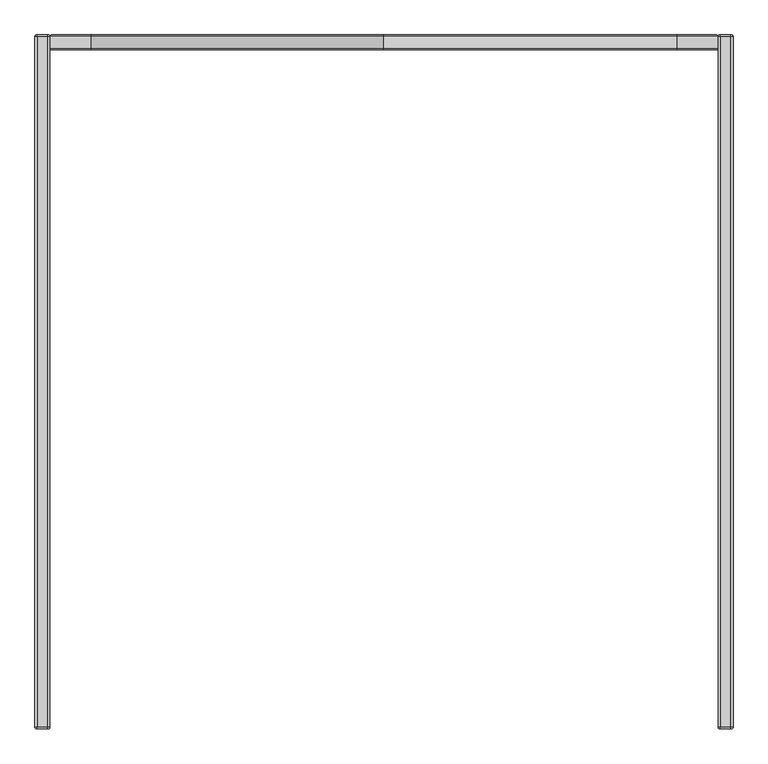
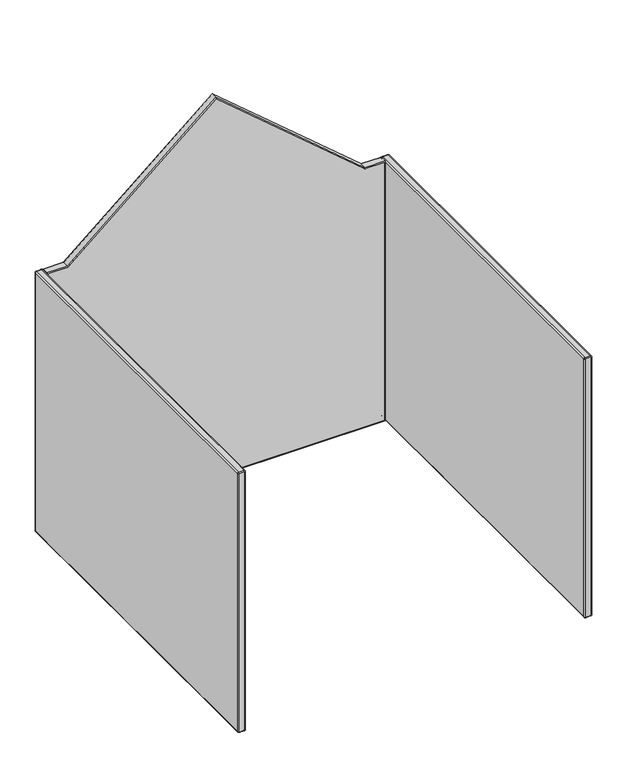
"""IFC4 building model written with IfcOpenShell, lengths in millimetres: furniture geometry."""

from ifc_helpers import new_model, si_unit, point, frame, origin, place, context, project, spatial, circle_curve, ellipse_curve, trimmed, source, transform, mapped, element, save
from ifc_brep_helpers import plane_surface, cylinder_surface, revolved_surface, advanced_brep


def furniture_84e5c815(model_context):
    return source(origin(), model_context, "Body", "AdvancedBrep", [
        advanced_brep(
        [(1729.6212947, -38.7095386, 1458.9687466), (1728.1650089, -42.6782886, 1454.9999966), (1835.0000576, -42.6782886, 1454.9999966), (1838.9688076, -38.7095386, 1458.9687466), (1838.9688076, -6.1657886, 1458.9687466), (1729.6212947, -6.1657886, 1458.9687466), (1835.0000576, -2.1970386, 1454.9999966), (1728.1650089, -2.1970386, 1454.9999966), (1835.0000576, -42.6782886, 5.0000003), (1838.9688076, -38.7095386, 1.0312503), (1838.9688076, -6.1657886, 1.0312503), (1835.0000576, -2.1970386, 5.0000003), (45.0000013, -42.6782886, 5.0000003), (41.0312513, -38.7095386, 1.0312503), (41.0312513, -6.1657886, 1.0312503), (45.0000013, -2.1970386, 5.0000003), (45.0000013, -42.6782886, 1454.9999966), (41.0312513, -38.7095386, 1458.9687466), (41.0312513, -6.1657886, 1458.9687466), (45.0000013, -2.1970386, 1454.9999966), (151.8349909, -42.6782886, 1454.9999966), (150.3787052, -38.7095386, 1458.9687466), (150.3787052, -6.1657886, 1458.9687466), (151.8349909, -2.1970386, 1454.9999966), (940.0000362, -42.6782886, 2123.4131218), (940.0000364, -38.7095386, 2128.616893), (940.0000364, -6.1657886, 2128.616893), (940.0000362, -2.1970386, 2123.4131218)],
        [
            (0, 1, ellipse_curve(frame((1728.1650089, -38.7095386, 1454.9999966), z_axis=(0.9387939160823763, 0.0, -0.34447929274009526), x_axis=(-0.3444792927400953, 0.0, -0.9387939160823763)), 4.2274986, 3.96875)),
            (1, 2),
            (2, 3, ellipse_curve(frame((1835.0000576, -38.7095386, 1454.9999966), z_axis=(-0.7071067811865469, 0.0, 0.707106781186548), x_axis=(-0.7071067811865481, 0.0, -0.7071067811865468)), 5.6126601, 3.96875)),
            (3, 0),
            (3, 4),
            (4, 5),
            (5, 0),
            (4, 6, ellipse_curve(frame((1835.0000576, -6.1657886, 1454.9999966), z_axis=(-0.7071067811865469, 0.0, 0.707106781186548), x_axis=(-0.7071067811865481, 0.0, -0.7071067811865468)), 5.6126601, 3.96875)),
            (6, 7),
            (7, 5, ellipse_curve(frame((1728.1650089, -6.1657886, 1454.9999966), z_axis=(0.9387939160823763, 0.0, -0.34447929274009526), x_axis=(-0.3444792927400953, 0.0, -0.9387939160823763)), 4.2274986, 3.96875)),
            (2, 8),
            (8, 9, ellipse_curve(frame((1835.0000576, -38.7095386, 5.0000003), z_axis=(0.7071067811865493, 0.0, 0.7071067811865457), x_axis=(-0.7071067811865457, 0.0, 0.7071067811865495)), 5.6126601, 3.96875)),
            (9, 3),
            (9, 10),
            (10, 4),
            (10, 11, ellipse_curve(frame((1835.0000576, -6.1657886, 5.0000003), z_axis=(0.7071067811865493, 0.0, 0.7071067811865457), x_axis=(-0.7071067811865457, 0.0, 0.7071067811865495)), 5.6126601, 3.96875)),
            (11, 6),
            (8, 12),
            (12, 13, ellipse_curve(frame((45.0000013, -38.7095386, 5.0000003), z_axis=(0.7071067811865456, 0.0, -0.7071067811865496), x_axis=(0.7071067811865495, 0.0, 0.7071067811865456)), 5.6126601, 3.96875)),
            (13, 9),
            (13, 14),
            (14, 10),
            (14, 15, ellipse_curve(frame((45.0000013, -6.1657886, 5.0000003), z_axis=(0.7071067811865456, 0.0, -0.7071067811865496), x_axis=(0.7071067811865495, 0.0, 0.7071067811865456)), 5.6126601, 3.96875)),
            (15, 11),
            (12, 16),
            (16, 17, ellipse_curve(frame((45.0000013, -38.7095386, 1454.9999966), z_axis=(-0.7071067811865493, 0.0, -0.7071067811865458), x_axis=(0.7071067811865458, 0.0, -0.7071067811865492)), 5.6126601, 3.96875)),
            (17, 13),
            (17, 18),
            (18, 14),
            (18, 19, ellipse_curve(frame((45.0000013, -6.1657886, 1454.9999966), z_axis=(-0.7071067811865493, 0.0, -0.7071067811865458), x_axis=(0.7071067811865458, 0.0, -0.7071067811865492)), 5.6126601, 3.96875)),
            (19, 15),
            (16, 20),
            (20, 21, ellipse_curve(frame((151.8349909, -38.7095386, 1454.9999966), z_axis=(-0.9387939239161311, 0.0, -0.34447927139111495), x_axis=(-0.34447927139111495, 0.0, 0.9387939239161311)), 4.2274986, 3.96875)),
            (21, 17),
            (21, 22),
            (22, 18),
            (22, 23, ellipse_curve(frame((151.8349909, -6.1657886, 1454.9999966), z_axis=(-0.9387939239161311, 0.0, -0.34447927139111495), x_axis=(-0.34447927139111495, 0.0, 0.9387939239161311)), 4.2274986, 3.96875)),
            (23, 19),
            (20, 24),
            (24, 25, ellipse_curve(frame((940.0000362, -38.7095386, 2123.4131218), z_axis=(-0.9999999999999998, 0.0, 2.2740857778786807e-08), x_axis=(-2.274085794096256e-08, 0.0, -0.9999999999999997)), 5.2037712, 3.96875)),
            (25, 21),
            (25, 26),
            (26, 22),
            (26, 27, ellipse_curve(frame((940.0000362, -6.1657886, 2123.4131218), z_axis=(-0.9999999999999998, 0.0, 2.2740857778786807e-08), x_axis=(-2.274085794096256e-08, 0.0, -0.9999999999999997)), 5.2037712, 3.96875)),
            (27, 23),
            (0, 25),
            (24, 1),
            (5, 26),
            (7, 27),
        ],
        [
            cylinder_surface(frame((1728.1650089, -38.7095386, 1454.9999966), z_axis=(-1.0, 0.0, 0.0), x_axis=(0.0, 0.0, 1.0)), 3.96875),
            plane_surface(frame((1729.6212947, -38.7095386, 1458.9687466), z_axis=(0.0, 0.0, 1.0), x_axis=(1.0, 0.0, 0.0))),
            cylinder_surface(frame((1728.1650089, -6.1657886, 1454.9999966), z_axis=(-1.0, 0.0, 0.0), x_axis=(0.0, 0.0, 1.0)), 3.96875),
            cylinder_surface(frame((1835.0000576, -38.7095386, 1454.9999966), z_axis=(0.0, 0.0, 1.0), x_axis=(1.0, 0.0, 0.0)), 3.96875),
            plane_surface(frame((1838.9688076, -38.7095386, 1458.9687466), z_axis=(1.0, 0.0, 0.0), x_axis=(0.0, 0.0, -1.0))),
            cylinder_surface(frame((1835.0000576, -6.1657886, 1454.9999966), z_axis=(0.0, 0.0, 1.0), x_axis=(1.0, 0.0, 0.0)), 3.96875),
            cylinder_surface(frame((1835.0000576, -38.7095386, 5.0000003), z_axis=(1.0, 0.0, 0.0), x_axis=(0.0, 0.0, -1.0)), 3.96875),
            plane_surface(frame((1838.9688076, -38.7095386, 1.0312503), z_axis=(0.0, 0.0, -1.0), x_axis=(-1.0, 0.0, 0.0))),
            cylinder_surface(frame((1835.0000576, -6.1657886, 5.0000003), z_axis=(1.0, 0.0, 0.0), x_axis=(0.0, 0.0, -1.0)), 3.96875),
            cylinder_surface(frame((45.0000013, -38.7095386, 5.0000003), z_axis=(0.0, 0.0, -1.0), x_axis=(-1.0, 0.0, 0.0)), 3.96875),
            plane_surface(frame((41.0312513, -38.7095386, 1.0312503), z_axis=(-1.0, 0.0, 0.0), x_axis=(0.0, 0.0, 1.0))),
            cylinder_surface(frame((45.0000013, -6.1657886, 5.0000003), z_axis=(0.0, 0.0, -1.0), x_axis=(-1.0, 0.0, 0.0)), 3.96875),
            cylinder_surface(frame((45.0000013, -38.7095386, 1454.9999966), z_axis=(-1.0, 0.0, 0.0), x_axis=(0.0, 0.0, 1.0)), 3.96875),
            plane_surface(frame((41.0312513, -38.7095386, 1458.9687466), z_axis=(0.0, 0.0, 1.0), x_axis=(1.0, 0.0, 0.0))),
            cylinder_surface(frame((45.0000013, -6.1657886, 1454.9999966), z_axis=(-1.0, 0.0, 0.0), x_axis=(0.0, 0.0, 1.0)), 3.96875),
            cylinder_surface(frame((151.8349909, -38.7095386, 1454.9999966), z_axis=(-0.7626680631636914, 0.0, -0.6467900937940715), x_axis=(-0.6467900937940715, 0.0, 0.7626680631636914)), 3.96875),
            plane_surface(frame((150.3787052, -38.7095386, 1458.9687466), z_axis=(-0.6467900937940719, 0.0, 0.762668063163691), x_axis=(0.762668063163691, 0.0, 0.6467900937940719))),
            cylinder_surface(frame((151.8349909, -6.1657886, 1454.9999966), z_axis=(-0.7626680631636914, 0.0, -0.6467900937940715), x_axis=(-0.6467900937940715, 0.0, 0.7626680631636914)), 3.96875),
            cylinder_surface(frame((940.0000362, -38.7095386, 2123.4131218), z_axis=(-0.7626680337465674, 0.0, 0.6467901284815227), x_axis=(0.6467901284815227, 0.0, 0.7626680337465674)), 3.96875),
            plane_surface(frame((940.0000364, -38.7095386, 2128.616893), z_axis=(0.6467901284815224, 0.0, 0.7626680337465679), x_axis=(0.7626680337465679, 0.0, -0.6467901284815224))),
            cylinder_surface(frame((940.0000362, -6.1657886, 2123.4131218), z_axis=(-0.7626680337465674, 0.0, 0.6467901284815227), x_axis=(0.6467901284815227, 0.0, 0.7626680337465674)), 3.96875),
            plane_surface(frame((45.0000013, -42.6782886, 1454.9999966), z_axis=(0.0, -1.0, 0.0), x_axis=(-1.0, 0.0, 0.0))),
            plane_surface(frame((45.0000013, -2.1970386, 1454.9999966), z_axis=(0.0, 1.0, 0.0), x_axis=(1.0, 0.0, 0.0))),
        ],
        [
            (0, [[1, 2, 3, 4]]),
            (1, [[-4, 5, 6, 7]]),
            (2, [[-6, 8, 9, 10]]),
            (3, [[-3, 11, 12, 13]]),
            (4, [[-5, -13, 14, 15]]),
            (5, [[-8, -15, 16, 17]]),
            (6, [[-12, 18, 19, 20]]),
            (7, [[-14, -20, 21, 22]]),
            (8, [[-16, -22, 23, 24]]),
            (9, [[-19, 25, 26, 27]]),
            (10, [[-21, -27, 28, 29]]),
            (11, [[-23, -29, 30, 31]]),
            (12, [[-26, 32, 33, 34]]),
            (13, [[-28, -34, 35, 36]]),
            (14, [[-30, -36, 37, 38]]),
            (15, [[-33, 39, 40, 41]]),
            (16, [[-35, -41, 42, 43]]),
            (17, [[-37, -43, 44, 45]]),
            (18, [[-1, 46, -40, 47]]),
            (19, [[-7, 48, -42, -46]]),
            (20, [[-10, 49, -44, -48]]),
            (21, [[-2, -47, -39, -32, -25, -18, -11]]),
            (22, [[-9, -17, -24, -31, -38, -45, -49]]),
        ],
    ),
        advanced_brep(
        [(34.5968799, -2.2152498, 1456.0312321), (36.5812549, -2.2152498, 1454.0468571), (36.5812549, -2.2152498, 5.953125), (34.5968799, -2.2152498, 3.96875), (6.0495593, -2.2152498, 3.96875), (4.01875, -2.2152498, 5.9995593), (4.01875, -2.2152498, 1454.0468571), (6.003125, -2.2152498, 1456.0312321), (40.5500049, -6.1839998, 1454.0468571), (34.5968799, -6.1839998, 1459.9999821), (6.003125, -6.1839998, 1459.9999821), (0.05, -6.1839998, 1454.0468571), (0.05, -6.1839998, 5.9995593), (6.0495593, -6.1839998, 0.0), (34.5968799, -6.1839998, 0.0), (40.5500049, -6.1839998, 5.953125), (36.5812549, -1870.15266, 1454.0468571), (40.5500049, -1866.18391, 1454.0468571), (34.5968799, -1866.18391, 1459.9999821), (34.5968799, -1870.15266, 1456.0312321), (6.003125, -1866.18391, 1459.9999821), (6.003125, -1870.15266, 1456.0312321), (0.05, -1866.18391, 1454.0468571), (4.01875, -1870.15266, 1454.0468571), (0.05, -1866.18391, 5.9995593), (4.01875, -1870.15266, 5.9995593), (6.0495593, -1866.18391, 0.0), (6.0495593, -1870.15266, 3.96875), (34.5968799, -1866.18391, 0.0), (34.5968799, -1870.15266, 3.96875), (40.5500049, -1866.18391, 5.953125), (36.5812549, -1870.15266, 5.953125)],
        [
            (0, 1, circle_curve(frame((34.5968799, -2.2152498, 1454.0468571), z_axis=(0.0, 1.0, 0.0), x_axis=(1.0, 0.0, 0.0)), 1.984375)),
            (1, 2),
            (2, 3, circle_curve(frame((34.5968799, -2.2152498, 5.953125), z_axis=(0.0, 1.0, 0.0), x_axis=(0.0, 0.0, -1.0)), 1.984375)),
            (3, 4),
            (4, 5, circle_curve(frame((6.0495593, -2.2152498, 5.9995593), z_axis=(0.0, 1.0, 0.0), x_axis=(-1.0, 0.0, 0.0)), 2.0308093)),
            (5, 6),
            (6, 7, circle_curve(frame((6.003125, -2.2152498, 1454.0468571), z_axis=(0.0, 1.0, 0.0), x_axis=(0.0, 0.0, 1.0)), 1.984375)),
            (7, 0),
            (8, 1, circle_curve(frame((36.5812549, -6.1839998, 1454.0468571), z_axis=(0.0, 0.0, 1.0), x_axis=(-1.0, 0.0, 0.0)), 3.96875)),
            (0, 9, circle_curve(frame((34.5968799, -6.1839998, 1456.0312321), z_axis=(1.0, 0.0, 0.0), x_axis=(0.0, 0.0, -1.0)), 3.96875)),
            (9, 8, circle_curve(frame((34.5968799, -6.1839998, 1454.0468571), z_axis=(0.0, 1.0, 0.0), x_axis=(1.0, 0.0, 0.0)), 5.953125)),
            (7, 10, circle_curve(frame((6.003125, -6.1839998, 1456.0312321), z_axis=(1.0, 0.0, 0.0), x_axis=(0.0, 0.0, -1.0)), 3.96875)),
            (10, 9),
            (6, 11, circle_curve(frame((4.01875, -6.1839998, 1454.0468571), z_axis=(0.0, 0.0, 1.0), x_axis=(1.0, 0.0, 0.0)), 3.96875)),
            (11, 10, circle_curve(frame((6.003125, -6.1839998, 1454.0468571), z_axis=(0.0, 1.0, 0.0), x_axis=(0.0, 0.0, 1.0)), 5.953125)),
            (5, 12, circle_curve(frame((4.01875, -6.1839998, 5.9995593), z_axis=(0.0, 0.0, 1.0), x_axis=(1.0, 0.0, 0.0)), 3.96875)),
            (12, 11),
            (4, 13, circle_curve(frame((6.0495593, -6.1839998, 3.96875), z_axis=(-1.0, 0.0, 0.0), x_axis=(0.0, 0.0, 1.0)), 3.96875)),
            (13, 12, circle_curve(frame((6.0495593, -6.1839998, 5.9995593), z_axis=(0.0, 1.0, 0.0), x_axis=(-1.0, 0.0, 0.0)), 5.9995593)),
            (3, 14, circle_curve(frame((34.5968799, -6.1839998, 3.96875), z_axis=(-1.0, 0.0, 0.0), x_axis=(0.0, 0.0, 1.0)), 3.96875)),
            (14, 13),
            (2, 15, circle_curve(frame((36.5812549, -6.1839998, 5.953125), z_axis=(0.0, 0.0, -1.0), x_axis=(-1.0, 0.0, 0.0)), 3.96875)),
            (15, 14, circle_curve(frame((34.5968799, -6.1839998, 5.953125), z_axis=(0.0, 1.0, 0.0), x_axis=(0.0, 0.0, -1.0)), 5.953125)),
            (8, 15),
            (16, 17, circle_curve(frame((36.5812549, -1866.18391, 1454.0468571), z_axis=(0.0, 0.0, 1.0), x_axis=(-1.0, 0.0, 0.0)), 3.96875)),
            (17, 18, circle_curve(frame((34.5968799, -1866.18391, 1454.0468571), z_axis=(0.0, -1.0, 0.0), x_axis=(1.0, 0.0, 0.0)), 5.953125)),
            (18, 19, circle_curve(frame((34.5968799, -1866.18391, 1456.0312321), z_axis=(1.0, 0.0, 0.0), x_axis=(0.0, 0.0, -1.0)), 3.96875)),
            (19, 16, circle_curve(frame((34.5968799, -1870.15266, 1454.0468571), z_axis=(0.0, 1.0, 0.0), x_axis=(1.0, 0.0, 0.0)), 1.984375)),
            (18, 20),
            (20, 21, circle_curve(frame((6.003125, -1866.18391, 1456.0312321), z_axis=(1.0, 0.0, 0.0), x_axis=(0.0, 0.0, -1.0)), 3.96875)),
            (21, 19),
            (20, 22, circle_curve(frame((6.003125, -1866.18391, 1454.0468571), z_axis=(0.0, -1.0, 0.0), x_axis=(0.0, 0.0, 1.0)), 5.953125)),
            (22, 23, circle_curve(frame((4.01875, -1866.18391, 1454.0468571), z_axis=(0.0, 0.0, 1.0), x_axis=(1.0, 0.0, 0.0)), 3.96875)),
            (23, 21, circle_curve(frame((6.003125, -1870.15266, 1454.0468571), z_axis=(0.0, 1.0, 0.0), x_axis=(0.0, 0.0, 1.0)), 1.984375)),
            (22, 24),
            (24, 25, circle_curve(frame((4.01875, -1866.18391, 5.9995593), z_axis=(0.0, 0.0, 1.0), x_axis=(1.0, 0.0, 0.0)), 3.96875)),
            (25, 23),
            (24, 26, circle_curve(frame((6.0495593, -1866.18391, 5.9995593), z_axis=(0.0, -1.0, 0.0), x_axis=(-1.0, 0.0, 0.0)), 5.9995593)),
            (26, 27, circle_curve(frame((6.0495593, -1866.18391, 3.96875), z_axis=(-1.0, 0.0, 0.0), x_axis=(0.0, 0.0, 1.0)), 3.96875)),
            (27, 25, circle_curve(frame((6.0495593, -1870.15266, 5.9995593), z_axis=(0.0, 1.0, 0.0), x_axis=(-1.0, 0.0, 0.0)), 2.0308093)),
            (26, 28),
            (28, 29, circle_curve(frame((34.5968799, -1866.18391, 3.96875), z_axis=(-1.0, 0.0, 0.0), x_axis=(0.0, 0.0, 1.0)), 3.96875)),
            (29, 27),
            (28, 30, circle_curve(frame((34.5968799, -1866.18391, 5.953125), z_axis=(0.0, -1.0, 0.0), x_axis=(0.0, 0.0, -1.0)), 5.953125)),
            (30, 31, circle_curve(frame((36.5812549, -1866.18391, 5.953125), z_axis=(0.0, 0.0, -1.0), x_axis=(-1.0, 0.0, 0.0)), 3.96875)),
            (31, 29, circle_curve(frame((34.5968799, -1870.15266, 5.953125), z_axis=(0.0, 1.0, 0.0), x_axis=(0.0, 0.0, -1.0)), 1.984375)),
            (16, 31),
            (30, 17),
            (20, 10),
            (11, 22),
            (12, 24),
            (13, 26),
            (14, 28),
            (15, 30),
            (8, 17),
            (9, 18),
        ],
        [
            plane_surface(frame((4.01875, -2.2152498, 5.9995593), z_axis=(0.0, 1.0, 0.0), x_axis=(0.0, 0.0, 1.0))),
            revolved_surface(trimmed(ellipse_curve(frame((36.5812549, -6.1839998, 1454.0468571), z_axis=(0.0, 0.0, -1.0), x_axis=(-1.0, 0.0, 0.0)), 3.96875, 3.96875), [point((36.5812549, -2.2152498, 1454.0468571))], [point((40.5500049, -6.1839998, 1454.0468571))], True, "CARTESIAN"), (34.5968799, -6.1839998, 1454.0468571), (0.0, -1.0, 0.0)),
            cylinder_surface(frame((34.5968799, -6.1839998, 1456.0312321), z_axis=(1.0, 0.0, 0.0), x_axis=(0.0, 0.0, -1.0)), 3.96875),
            revolved_surface(trimmed(ellipse_curve(frame((6.003125, -6.1839998, 1456.0312321), z_axis=(1.0, 0.0, 0.0), x_axis=(0.0, 0.0, -1.0)), 3.96875, 3.96875), [point((6.003125, -2.2152498, 1456.0312321))], [point((6.003125, -6.1839998, 1459.9999821))], True, "CARTESIAN"), (6.003125, -6.1839998, 1454.0468571), (0.0, -1.0, 0.0)),
            cylinder_surface(frame((4.01875, -6.1839998, 1454.0468571), z_axis=(0.0, 0.0, 1.0), x_axis=(1.0, 0.0, 0.0)), 3.96875),
            revolved_surface(trimmed(ellipse_curve(frame((4.01875, -6.1839998, 5.9995593), z_axis=(0.0, 0.0, 1.0), x_axis=(1.0, 0.0, 0.0)), 3.96875, 3.96875), [point((4.01875, -2.2152498, 5.9995593))], [point((0.05, -6.1839998, 5.9995593))], True, "CARTESIAN"), (6.0495593, -6.1839998, 5.9995593), (0.0, -1.0, 0.0)),
            cylinder_surface(frame((6.0495593, -6.1839998, 3.96875), z_axis=(-1.0, 0.0, 0.0), x_axis=(0.0, 0.0, 1.0)), 3.96875),
            revolved_surface(trimmed(ellipse_curve(frame((34.5968799, -6.1839998, 3.96875), z_axis=(-1.0, 0.0, 0.0), x_axis=(0.0, 0.0, 1.0)), 3.96875, 3.96875), [point((34.5968799, -2.2152498, 3.96875))], [point((34.5968799, -6.1839998, 0.0))], True, "CARTESIAN"), (34.5968799, -6.1839998, 5.953125), (0.0, -1.0, 0.0)),
            cylinder_surface(frame((36.5812549, -6.1839998, 5.953125), z_axis=(0.0, 0.0, -1.0), x_axis=(-1.0, 0.0, 0.0)), 3.96875),
            revolved_surface(trimmed(ellipse_curve(frame((36.5812549, -1866.18391, 1454.0468571), z_axis=(0.0, 0.0, -1.0), x_axis=(-1.0, 0.0, 0.0)), 3.96875, 3.96875), [point((40.5500049, -1866.18391, 1454.0468571))], [point((36.5812549, -1870.15266, 1454.0468571))], True, "CARTESIAN"), (34.5968799, -1866.18391, 1454.0468571), (0.0, -1.0, 0.0)),
            cylinder_surface(frame((34.5968799, -1866.18391, 1456.0312321), z_axis=(1.0, 0.0, 0.0), x_axis=(0.0, 0.0, -1.0)), 3.96875),
            revolved_surface(trimmed(ellipse_curve(frame((6.003125, -1866.18391, 1456.0312321), z_axis=(1.0, 0.0, 0.0), x_axis=(0.0, 0.0, -1.0)), 3.96875, 3.96875), [point((6.003125, -1866.18391, 1459.9999821))], [point((6.003125, -1870.15266, 1456.0312321))], True, "CARTESIAN"), (6.003125, -1866.18391, 1454.0468571), (0.0, -1.0, 0.0)),
            cylinder_surface(frame((4.01875, -1866.18391, 1454.0468571), z_axis=(0.0, 0.0, 1.0), x_axis=(1.0, 0.0, 0.0)), 3.96875),
            revolved_surface(trimmed(ellipse_curve(frame((4.01875, -1866.18391, 5.9995593), z_axis=(0.0, 0.0, 1.0), x_axis=(1.0, 0.0, 0.0)), 3.96875, 3.96875), [point((0.05, -1866.18391, 5.9995593))], [point((4.01875, -1870.15266, 5.9995593))], True, "CARTESIAN"), (6.0495593, -1866.18391, 5.9995593), (0.0, -1.0, 0.0)),
            cylinder_surface(frame((6.0495593, -1866.18391, 3.96875), z_axis=(-1.0, 0.0, 0.0), x_axis=(0.0, 0.0, 1.0)), 3.96875),
            revolved_surface(trimmed(ellipse_curve(frame((34.5968799, -1866.18391, 3.96875), z_axis=(-1.0, 0.0, 0.0), x_axis=(0.0, 0.0, 1.0)), 3.96875, 3.96875), [point((34.5968799, -1866.18391, 0.0))], [point((34.5968799, -1870.15266, 3.96875))], True, "CARTESIAN"), (34.5968799, -1866.18391, 5.953125), (0.0, -1.0, 0.0)),
            cylinder_surface(frame((36.5812549, -1866.18391, 5.953125), z_axis=(0.0, 0.0, -1.0), x_axis=(-1.0, 0.0, 0.0)), 3.96875),
            cylinder_surface(frame((6.003125, -6.1839998, 1454.0468571), z_axis=(0.0, -1.0, 0.0), x_axis=(1.0, 0.0, 0.0)), 5.953125),
            plane_surface(frame((0.05, -1866.18391, 1454.0468571), z_axis=(-1.0, 0.0, 0.0), x_axis=(0.0, 1.0, 0.0))),
            cylinder_surface(frame((6.0495593, -6.1839998, 5.9995593), z_axis=(0.0, -1.0, 0.0), x_axis=(1.0, 0.0, 0.0)), 5.9995593),
            plane_surface(frame((6.0495593, -1866.18391, 0.0), z_axis=(0.0, 0.0, -1.0), x_axis=(0.0, 1.0, 0.0))),
            cylinder_surface(frame((34.5968799, -6.1839998, 5.953125), z_axis=(0.0, -1.0, 0.0), x_axis=(1.0, 0.0, 0.0)), 5.953125),
            plane_surface(frame((40.5500049, -1866.18391, 5.953125), z_axis=(1.0, 0.0, 0.0), x_axis=(0.0, 1.0, 0.0))),
            cylinder_surface(frame((34.5968799, -6.1839998, 1454.0468571), z_axis=(0.0, -1.0, 0.0), x_axis=(1.0, 0.0, 0.0)), 5.953125),
            plane_surface(frame((34.5968799, -1866.18391, 1459.9999821), z_axis=(0.0, 0.0, 1.0), x_axis=(0.0, 1.0, 0.0))),
            plane_surface(frame((4.01875, -1870.15266, 5.9995593), z_axis=(0.0, -1.0, 0.0), x_axis=(0.0, 0.0, -1.0))),
        ],
        [
            (0, [[1, 2, 3, 4, 5, 6, 7, 8]]),
            (1, [[9, -1, 10, 11]]),
            (2, [[-10, -8, 12, 13]]),
            (3, [[-12, -7, 14, 15]]),
            (4, [[-14, -6, 16, 17]]),
            (5, [[-16, -5, 18, 19]]),
            (6, [[-18, -4, 20, 21]]),
            (7, [[-20, -3, 22, 23]]),
            (8, [[-9, 24, -22, -2]]),
            (9, [[25, 26, 27, 28]]),
            (10, [[-27, 29, 30, 31]]),
            (11, [[-30, 32, 33, 34]]),
            (12, [[-33, 35, 36, 37]]),
            (13, [[-36, 38, 39, 40]]),
            (14, [[-39, 41, 42, 43]]),
            (15, [[-42, 44, 45, 46]]),
            (16, [[-25, 47, -45, 48]]),
            (17, [[49, -15, 50, -32]]),
            (18, [[-50, -17, 51, -35]]),
            (19, [[-51, -19, 52, -38]]),
            (20, [[-52, -21, 53, -41]]),
            (21, [[-53, -23, 54, -44]]),
            (22, [[-54, -24, 55, -48]]),
            (23, [[-55, -11, 56, -26]]),
            (24, [[-49, -29, -56, -13]]),
            (25, [[-28, -31, -34, -37, -40, -43, -46, -47]]),
        ],
    ),
        advanced_brep(
        [(1875.9813255, -1870.15266, 1454.0468571), (1879.9500755, -1866.18391, 1454.0468571), (1873.9969505, -1866.18391, 1459.9999821), (1873.9969505, -1870.15266, 1456.0312321), (1845.4031956, -1866.18391, 1459.9999821), (1845.4031956, -1870.15266, 1456.0312321), (1839.4500706, -1866.18391, 1454.0468571), (1843.4188206, -1870.15266, 1454.0468571), (1839.4500706, -1866.18391, 5.9995593), (1843.4188206, -1870.15266, 5.9995593), (1845.4496299, -1866.18391, 0.0), (1845.4496299, -1870.15266, 3.96875), (1873.9969505, -1866.18391, 0.0), (1873.9969505, -1870.15266, 3.96875), (1879.9500755, -1866.18391, 5.953125), (1875.9813255, -1870.15266, 5.953125), (1879.9500755, -6.1839998, 1454.0468571), (1875.9813255, -2.2152498, 1454.0468571), (1873.9969505, -2.2152498, 1456.0312321), (1873.9969505, -6.1839998, 1459.9999821), (1845.4031956, -2.2152498, 1456.0312321), (1845.4031956, -6.1839998, 1459.9999821), (1843.4188206, -2.2152498, 1454.0468571), (1839.4500706, -6.1839998, 1454.0468571), (1843.4188206, -2.2152498, 5.9995593), (1839.4500706, -6.1839998, 5.9995593), (1845.4496299, -2.2152498, 3.96875), (1845.4496299, -6.1839998, 0.0), (1873.9969505, -2.2152498, 3.96875), (1873.9969505, -6.1839998, 0.0), (1875.9813255, -2.2152498, 5.953125), (1879.9500755, -6.1839998, 5.953125)],
        [
            (0, 1, circle_curve(frame((1875.9813255, -1866.18391, 1454.0468571), z_axis=(0.0, 0.0, 1.0), x_axis=(-1.0, 0.0, 0.0)), 3.96875)),
            (1, 2, circle_curve(frame((1873.9969505, -1866.18391, 1454.0468571), z_axis=(0.0, -1.0, 0.0), x_axis=(1.0, 0.0, 0.0)), 5.953125)),
            (2, 3, circle_curve(frame((1873.9969505, -1866.18391, 1456.0312321), z_axis=(1.0, 0.0, 0.0), x_axis=(0.0, 0.0, -1.0)), 3.96875)),
            (3, 0, circle_curve(frame((1873.9969505, -1870.15266, 1454.0468571), z_axis=(0.0, 1.0, 0.0), x_axis=(1.0, 0.0, 0.0)), 1.984375)),
            (2, 4),
            (4, 5, circle_curve(frame((1845.4031956, -1866.18391, 1456.0312321), z_axis=(1.0, 0.0, 0.0), x_axis=(0.0, 0.0, -1.0)), 3.96875)),
            (5, 3),
            (4, 6, circle_curve(frame((1845.4031956, -1866.18391, 1454.0468571), z_axis=(0.0, -1.0, 0.0), x_axis=(0.0, 0.0, 1.0)), 5.953125)),
            (6, 7, circle_curve(frame((1843.4188206, -1866.18391, 1454.0468571), z_axis=(0.0, 0.0, 1.0), x_axis=(1.0, 0.0, 0.0)), 3.96875)),
            (7, 5, circle_curve(frame((1845.4031956, -1870.15266, 1454.0468571), z_axis=(0.0, 1.0, 0.0), x_axis=(0.0, 0.0, 1.0)), 1.984375)),
            (6, 8),
            (8, 9, circle_curve(frame((1843.4188206, -1866.18391, 5.9995593), z_axis=(0.0, 0.0, 1.0), x_axis=(1.0, 0.0, 0.0)), 3.96875)),
            (9, 7),
            (8, 10, circle_curve(frame((1845.4496299, -1866.18391, 5.9995593), z_axis=(0.0, -1.0, 0.0), x_axis=(-1.0, 0.0, 0.0)), 5.9995593)),
            (10, 11, circle_curve(frame((1845.4496299, -1866.18391, 3.96875), z_axis=(-1.0, 0.0, 0.0), x_axis=(0.0, 0.0, 1.0)), 3.96875)),
            (11, 9, circle_curve(frame((1845.4496299, -1870.15266, 5.9995593), z_axis=(0.0, 1.0, 0.0), x_axis=(-1.0, 0.0, 0.0)), 2.0308093)),
            (10, 12),
            (12, 13, circle_curve(frame((1873.9969505, -1866.18391, 3.96875), z_axis=(-1.0, 0.0, 0.0), x_axis=(0.0, 0.0, 1.0)), 3.96875)),
            (13, 11),
            (12, 14, circle_curve(frame((1873.9969505, -1866.18391, 5.953125), z_axis=(0.0, -1.0, 0.0), x_axis=(0.0, 0.0, -1.0)), 5.953125)),
            (14, 15, circle_curve(frame((1875.9813255, -1866.18391, 5.953125), z_axis=(0.0, 0.0, -1.0), x_axis=(-1.0, 0.0, 0.0)), 3.96875)),
            (15, 13, circle_curve(frame((1873.9969505, -1870.15266, 5.953125), z_axis=(0.0, 1.0, 0.0), x_axis=(0.0, 0.0, -1.0)), 1.984375)),
            (0, 15),
            (14, 1),
            (16, 17, circle_curve(frame((1875.9813255, -6.1839998, 1454.0468571), z_axis=(0.0, 0.0, 1.0), x_axis=(-1.0, 0.0, 0.0)), 3.96875)),
            (17, 18, circle_curve(frame((1873.9969505, -2.2152498, 1454.0468571), z_axis=(0.0, -1.0, 0.0), x_axis=(1.0, 0.0, 0.0)), 1.984375)),
            (18, 19, circle_curve(frame((1873.9969505, -6.1839998, 1456.0312321), z_axis=(1.0, 0.0, 0.0), x_axis=(0.0, 0.0, -1.0)), 3.96875)),
            (19, 16, circle_curve(frame((1873.9969505, -6.1839998, 1454.0468571), z_axis=(0.0, 1.0, 0.0), x_axis=(1.0, 0.0, 0.0)), 5.953125)),
            (18, 20),
            (20, 21, circle_curve(frame((1845.4031956, -6.1839998, 1456.0312321), z_axis=(1.0, 0.0, 0.0), x_axis=(0.0, 0.0, -1.0)), 3.96875)),
            (21, 19),
            (20, 22, circle_curve(frame((1845.4031956, -2.2152498, 1454.0468571), z_axis=(0.0, -1.0, 0.0), x_axis=(0.0, 0.0, 1.0)), 1.984375)),
            (22, 23, circle_curve(frame((1843.4188206, -6.1839998, 1454.0468571), z_axis=(0.0, 0.0, 1.0), x_axis=(1.0, 0.0, 0.0)), 3.96875)),
            (23, 21, circle_curve(frame((1845.4031956, -6.1839998, 1454.0468571), z_axis=(0.0, 1.0, 0.0), x_axis=(0.0, 0.0, 1.0)), 5.953125)),
            (22, 24),
            (24, 25, circle_curve(frame((1843.4188206, -6.1839998, 5.9995593), z_axis=(0.0, 0.0, 1.0), x_axis=(1.0, 0.0, 0.0)), 3.96875)),
            (25, 23),
            (24, 26, circle_curve(frame((1845.4496299, -2.2152498, 5.9995593), z_axis=(0.0, -1.0, 0.0), x_axis=(-1.0, 0.0, 0.0)), 2.0308093)),
            (26, 27, circle_curve(frame((1845.4496299, -6.1839998, 3.96875), z_axis=(-1.0, 0.0, 0.0), x_axis=(0.0, 0.0, 1.0)), 3.96875)),
            (27, 25, circle_curve(frame((1845.4496299, -6.1839998, 5.9995593), z_axis=(0.0, 1.0, 0.0), x_axis=(-1.0, 0.0, 0.0)), 5.9995593)),
            (26, 28),
            (28, 29, circle_curve(frame((1873.9969505, -6.1839998, 3.96875), z_axis=(-1.0, 0.0, 0.0), x_axis=(0.0, 0.0, 1.0)), 3.96875)),
            (29, 27),
            (28, 30, circle_curve(frame((1873.9969505, -2.2152498, 5.953125), z_axis=(0.0, -1.0, 0.0), x_axis=(0.0, 0.0, -1.0)), 1.984375)),
            (30, 31, circle_curve(frame((1875.9813255, -6.1839998, 5.953125), z_axis=(0.0, 0.0, -1.0), x_axis=(-1.0, 0.0, 0.0)), 3.96875)),
            (31, 29, circle_curve(frame((1873.9969505, -6.1839998, 5.953125), z_axis=(0.0, 1.0, 0.0), x_axis=(0.0, 0.0, -1.0)), 5.953125)),
            (16, 31),
            (30, 17),
            (4, 21),
            (23, 6),
            (25, 8),
            (27, 10),
            (29, 12),
            (31, 14),
            (16, 1),
            (19, 2),
        ],
        [
            revolved_surface(trimmed(ellipse_curve(frame((1875.9813255, -1866.18391, 1454.0468571), z_axis=(0.0, 0.0, -1.0), x_axis=(-1.0, 0.0, 0.0)), 3.96875, 3.96875), [point((1879.9500755, -1866.18391, 1454.0468571))], [point((1875.9813255, -1870.15266, 1454.0468571))], True, "CARTESIAN"), (1873.9969505, -1866.18391, 1454.0468571), (0.0, -1.0, 0.0)),
            cylinder_surface(frame((1873.9969505, -1866.18391, 1456.0312321), z_axis=(1.0, 0.0, 0.0), x_axis=(0.0, 0.0, -1.0)), 3.96875),
            revolved_surface(trimmed(ellipse_curve(frame((1845.4031956, -1866.18391, 1456.0312321), z_axis=(1.0, 0.0, 0.0), x_axis=(0.0, 0.0, -1.0)), 3.96875, 3.96875), [point((1845.4031956, -1866.18391, 1459.9999821))], [point((1845.4031956, -1870.15266, 1456.0312321))], True, "CARTESIAN"), (1845.4031956, -1866.18391, 1454.0468571), (0.0, -1.0, 0.0)),
            cylinder_surface(frame((1843.4188206, -1866.18391, 1454.0468571), z_axis=(0.0, 0.0, 1.0), x_axis=(1.0, 0.0, 0.0)), 3.96875),
            revolved_surface(trimmed(ellipse_curve(frame((1843.4188206, -1866.18391, 5.9995593), z_axis=(0.0, 0.0, 1.0), x_axis=(1.0, 0.0, 0.0)), 3.96875, 3.96875), [point((1839.4500706, -1866.18391, 5.9995593))], [point((1843.4188206, -1870.15266, 5.9995593))], True, "CARTESIAN"), (1845.4496299, -1866.18391, 5.9995593), (0.0, -1.0, 0.0)),
            cylinder_surface(frame((1845.4496299, -1866.18391, 3.96875), z_axis=(-1.0, 0.0, 0.0), x_axis=(0.0, 0.0, 1.0)), 3.96875),
            revolved_surface(trimmed(ellipse_curve(frame((1873.9969505, -1866.18391, 3.96875), z_axis=(-1.0, 0.0, 0.0), x_axis=(0.0, 0.0, 1.0)), 3.96875, 3.96875), [point((1873.9969505, -1866.18391, 0.0))], [point((1873.9969505, -1870.15266, 3.96875))], True, "CARTESIAN"), (1873.9969505, -1866.18391, 5.953125), (0.0, -1.0, 0.0)),
            cylinder_surface(frame((1875.9813255, -1866.18391, 5.953125), z_axis=(0.0, 0.0, -1.0), x_axis=(-1.0, 0.0, 0.0)), 3.96875),
            plane_surface(frame((1843.4188206, -1870.15266, 5.9995593), z_axis=(0.0, -1.0, 0.0), x_axis=(0.0, 0.0, -1.0))),
            revolved_surface(trimmed(ellipse_curve(frame((1875.9813255, -6.1839998, 1454.0468571), z_axis=(0.0, 0.0, -1.0), x_axis=(-1.0, 0.0, 0.0)), 3.96875, 3.96875), [point((1875.9813255, -2.2152498, 1454.0468571))], [point((1879.9500755, -6.1839998, 1454.0468571))], True, "CARTESIAN"), (1873.9969505, -6.1839998, 1454.0468571), (0.0, -1.0, 0.0)),
            cylinder_surface(frame((1873.9969505, -6.1839998, 1456.0312321), z_axis=(1.0, 0.0, 0.0), x_axis=(0.0, 0.0, -1.0)), 3.96875),
            revolved_surface(trimmed(ellipse_curve(frame((1845.4031956, -6.1839998, 1456.0312321), z_axis=(1.0, 0.0, 0.0), x_axis=(0.0, 0.0, -1.0)), 3.96875, 3.96875), [point((1845.4031956, -2.2152498, 1456.0312321))], [point((1845.4031956, -6.1839998, 1459.9999821))], True, "CARTESIAN"), (1845.4031956, -6.1839998, 1454.0468571), (0.0, -1.0, 0.0)),
            cylinder_surface(frame((1843.4188206, -6.1839998, 1454.0468571), z_axis=(0.0, 0.0, 1.0), x_axis=(1.0, 0.0, 0.0)), 3.96875),
            revolved_surface(trimmed(ellipse_curve(frame((1843.4188206, -6.1839998, 5.9995593), z_axis=(0.0, 0.0, 1.0), x_axis=(1.0, 0.0, 0.0)), 3.96875, 3.96875), [point((1843.4188206, -2.2152498, 5.9995593))], [point((1839.4500706, -6.1839998, 5.9995593))], True, "CARTESIAN"), (1845.4496299, -6.1839998, 5.9995593), (0.0, -1.0, 0.0)),
            cylinder_surface(frame((1845.4496299, -6.1839998, 3.96875), z_axis=(-1.0, 0.0, 0.0), x_axis=(0.0, 0.0, 1.0)), 3.96875),
            revolved_surface(trimmed(ellipse_curve(frame((1873.9969505, -6.1839998, 3.96875), z_axis=(-1.0, 0.0, 0.0), x_axis=(0.0, 0.0, 1.0)), 3.96875, 3.96875), [point((1873.9969505, -2.2152498, 3.96875))], [point((1873.9969505, -6.1839998, 0.0))], True, "CARTESIAN"), (1873.9969505, -6.1839998, 5.953125), (0.0, -1.0, 0.0)),
            cylinder_surface(frame((1875.9813255, -6.1839998, 5.953125), z_axis=(0.0, 0.0, -1.0), x_axis=(-1.0, 0.0, 0.0)), 3.96875),
            plane_surface(frame((1843.4188206, -2.2152498, 5.9995593), z_axis=(0.0, 1.0, 0.0), x_axis=(0.0, 0.0, 1.0))),
            cylinder_surface(frame((1845.4031956, 0.0, 1454.0468571), z_axis=(0.0, -1.0, 0.0), x_axis=(1.0, 0.0, 0.0)), 5.953125),
            plane_surface(frame((1839.4500706, -1866.18391, 1454.0468571), z_axis=(-1.0, 0.0, 0.0), x_axis=(0.0, 1.0, 0.0))),
            cylinder_surface(frame((1845.4496299, 0.0, 5.9995593), z_axis=(0.0, -1.0, 0.0), x_axis=(1.0, 0.0, 0.0)), 5.9995593),
            plane_surface(frame((1845.4496299, -1866.18391, 0.0), z_axis=(0.0, 0.0, -1.0), x_axis=(0.0, 1.0, 0.0))),
            cylinder_surface(frame((1873.9969505, 0.0, 5.953125), z_axis=(0.0, -1.0, 0.0), x_axis=(1.0, 0.0, 0.0)), 5.953125),
            plane_surface(frame((1879.9500755, -1866.18391, 5.953125), z_axis=(1.0, 0.0, 0.0), x_axis=(0.0, 1.0, 0.0))),
            cylinder_surface(frame((1873.9969505, 0.0, 1454.0468571), z_axis=(0.0, -1.0, 0.0), x_axis=(1.0, 0.0, 0.0)), 5.953125),
            plane_surface(frame((1873.9969505, -1866.18391, 1459.9999821), z_axis=(0.0, 0.0, 1.0), x_axis=(0.0, 1.0, 0.0))),
        ],
        [
            (0, [[1, 2, 3, 4]]),
            (1, [[-3, 5, 6, 7]]),
            (2, [[-6, 8, 9, 10]]),
            (3, [[-9, 11, 12, 13]]),
            (4, [[-12, 14, 15, 16]]),
            (5, [[-15, 17, 18, 19]]),
            (6, [[-18, 20, 21, 22]]),
            (7, [[-1, 23, -21, 24]]),
            (8, [[-4, -7, -10, -13, -16, -19, -22, -23]]),
            (9, [[25, 26, 27, 28]]),
            (10, [[-27, 29, 30, 31]]),
            (11, [[-30, 32, 33, 34]]),
            (12, [[-33, 35, 36, 37]]),
            (13, [[-36, 38, 39, 40]]),
            (14, [[-39, 41, 42, 43]]),
            (15, [[-42, 44, 45, 46]]),
            (16, [[-25, 47, -45, 48]]),
            (17, [[-26, -48, -44, -41, -38, -35, -32, -29]]),
            (18, [[49, -34, 50, -8]]),
            (19, [[-50, -37, 51, -11]]),
            (20, [[-51, -40, 52, -14]]),
            (21, [[-52, -43, 53, -17]]),
            (22, [[-53, -46, 54, -20]]),
            (23, [[-54, -47, 55, -24]]),
            (24, [[-55, -28, 56, -2]]),
            (25, [[-49, -5, -56, -31]]),
        ],
    ),
    ])


if __name__ == "__main__":
    model = new_model("IFC4")
    model_context = context("Model", 3, world=origin())
    ifc_project = project(units=[si_unit("LENGTHUNIT", "METRE", prefix="MILLI")], contexts=[model_context])
    site = spatial("IfcSite", under=ifc_project)
    building = spatial("IfcBuilding", under=site)
    placement = place(None, origin())
    furniture_shape = furniture_84e5c815(model_context)
    element("IfcFurniture", 1, at=placement, inside=building, context=model_context, shape_type="MappedRepresentation", body=[
        mapped(furniture_shape, transform((0.0, 0.0, 0.0), x_axis=(1.0, 0.0, 0.0), y_axis=(0.0, 1.0, 0.0), z_axis=(0.0, 0.0, 1.0))),
    ])
    save(model, "model.ifc")
